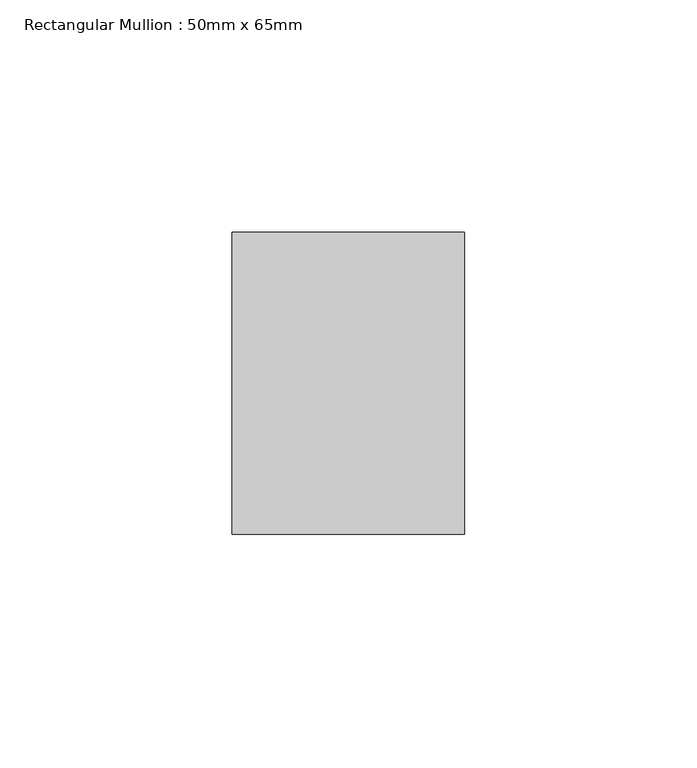
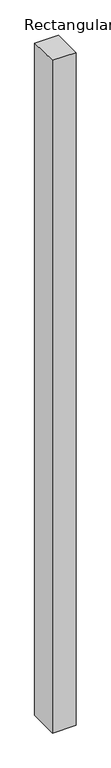
"""IFC4 building model written with IfcOpenShell, lengths in millimetres: member geometry, Rectangular Mullion : 50mm x 65mm."""

import ifcopenshell
import ifcopenshell.guid

model = None  # the IFC model being written
_history = None  # IfcOwnerHistory: only IFC2X3 demands one
_inside = {}  # id of a spatial element -> (the spatial element, [elements in it])
_under = {}  # id of a project, library or spatial element -> (it, [spatial elements below it])
_declared = {}  # id of a project -> (the project, [libraries it declares])
_typed = {}  # id of a type object -> (the type object, [elements of that type])
_made_of = {}  # id of a material, layer set ... -> (it, [elements and type objects made of it])


def new_model(schema):
    """Start an empty IFC model of exactly this schema.

    Asked for "IFC4X3", IfcOpenShell would pick the latest addendum, in which some entities
    have other attributes; the version numbers below select the first issue.
    IFC2X3 requires an IfcOwnerHistory on every rooted entity: one is made here for all.
    """
    global model, _history
    if schema == "IFC4X3":
        model = ifcopenshell.file(schema_version=(4, 3, 0, 0))
    else:
        model = ifcopenshell.file(schema=schema)
    _inside.clear()
    _under.clear()
    _declared.clear()
    _typed.clear()
    _made_of.clear()
    _history = None
    if model.schema == "IFC2X3":
        org = make("IfcOrganization", Name="unknown")
        user = make(
            "IfcPersonAndOrganization",
            ThePerson=make("IfcPerson", FamilyName="unknown"),
            TheOrganization=org,
        )
        app = make(
            "IfcApplication",
            ApplicationDeveloper=org,
            Version="unknown",
            ApplicationFullName="unknown",
            ApplicationIdentifier="unknown",
        )
        _history = make(
            "IfcOwnerHistory",
            OwningUser=user,
            OwningApplication=app,
            ChangeAction="ADDED",
            CreationDate=0,
        )
    return model


def make(cls, **values):
    """One entity of the class cls with the attributes given. An attribute that is None is left unset."""
    return model.create_entity(
        cls, **{name: value for name, value in values.items() if value is not None}
    )


def rooted(cls, **values):
    """An entity with a GlobalId (a new one), such as an element, a storey or a relation."""
    return make(cls, GlobalId=ifcopenshell.guid.new(), OwnerHistory=_history, **values)


def si_unit(unit_type, name, prefix=None):
    """IfcSIUnit, for example si_unit("LENGTHUNIT", "METRE", prefix="MILLI")."""
    return make("IfcSIUnit", UnitType=unit_type, Prefix=prefix, Name=name)


def assignment(units):
    """IfcUnitAssignment: the units of a project."""
    return None if units is None else make("IfcUnitAssignment", Units=units)


def point(xyz):
    """IfcCartesianPoint."""
    return None if xyz is None else make("IfcCartesianPoint", Coordinates=xyz)


def direction(xyz):
    """IfcDirection."""
    return None if xyz is None else make("IfcDirection", DirectionRatios=xyz)


def frame(location, z_axis=None, x_axis=None):
    """IfcAxis2Placement3D, a coordinate frame: its origin and axes. An axis left out is left unset."""
    return make(
        "IfcAxis2Placement3D",
        Location=point(location),
        Axis=direction(z_axis),
        RefDirection=direction(x_axis),
    )


def origin():
    """The frame at (0, 0, 0) with its axes left unset."""
    return frame((0.0, 0.0, 0.0))


def place(relative_to, where):
    """IfcLocalPlacement: puts the frame where relative to a parent placement (None: the world)."""
    return make(
        "IfcLocalPlacement", PlacementRelTo=relative_to, RelativePlacement=where
    )


def context(
    kind, dimensions, precision=None, world=None, true_north=None, identifier=None
):
    """IfcGeometricRepresentationContext, for example the 3D "Model" context."""
    return make(
        "IfcGeometricRepresentationContext",
        ContextIdentifier=identifier,
        ContextType=kind,
        CoordinateSpaceDimension=dimensions,
        Precision=precision,
        WorldCoordinateSystem=world,
        TrueNorth=true_north,
    )


def project(units=None, contexts=None):
    """IfcProject with its units and contexts."""
    return rooted(
        "IfcProject",
        Name="project",
        RepresentationContexts=contexts,
        UnitsInContext=assignment(units),
    )


def spatial(cls, under=None, at=None, **own):
    """A site, building, storey or space (cls), placed at a placement, below another one or the project."""
    s = rooted(cls, ObjectPlacement=at, **own)
    if under is not None:
        _under.setdefault(under.id(), (under, []))[1].append(s)
    return s


def faces_of(points, faces, orient=None, outer=None):
    """IfcFace entities. A face is a list of loops; a loop is a list of indices into points, from 0.

    orient and outer hold one flag for each loop. By default every Orientation is true, the
    first loop of a face is its IfcFaceOuterBound and the others are IfcFaceBound.
    """
    made = []
    for i, loops in enumerate(faces):
        bounds = []
        for j, loop in enumerate(loops):
            is_outer = j == 0 if outer is None else outer[i][j]
            bounds.append(
                make(
                    "IfcFaceOuterBound" if is_outer else "IfcFaceBound",
                    Bound=make("IfcPolyLoop", Polygon=[points[k] for k in loop]),
                    Orientation=True if orient is None else orient[i][j],
                )
            )
        made.append(make("IfcFace", Bounds=bounds))
    return made


def faceted_brep(points, faces, orient=None, outer=None, voids=None):
    """IfcFacetedBrep: a solid bounded by flat faces; with voids (closed shells), ...WithVoids."""
    shared = [point(p) for p in points]
    hull = make("IfcClosedShell", CfsFaces=faces_of(shared, faces, orient, outer))
    if voids is None:
        return make("IfcFacetedBrep", Outer=hull)
    return make(
        "IfcFacetedBrepWithVoids",
        Outer=hull,
        Voids=[
            make(cls, CfsFaces=faces_of(shared, fs, o, b)) for cls, fs, o, b in voids
        ],
    )


def shape(context_of_items, identifier, shape_type, items):
    """IfcShapeRepresentation: the items that make up one representation, for example the "Body"."""
    return make(
        "IfcShapeRepresentation",
        ContextOfItems=context_of_items,
        RepresentationIdentifier=identifier,
        RepresentationType=shape_type,
        Items=items,
    )


def source(mapping_origin, context_of_items, identifier, shape_type, items):
    """IfcRepresentationMap: a shape defined once, which mapped items show again and again."""
    return make(
        "IfcRepresentationMap",
        MappingOrigin=mapping_origin,
        MappedRepresentation=shape(context_of_items, identifier, shape_type, items),
    )


def transform(
    local_origin,
    x_axis=None,
    y_axis=None,
    z_axis=None,
    scale=None,
    scale2=None,
    scale3=None,
    uniform=True,
):
    """IfcCartesianTransformationOperator3D, or its non-uniform kind. x_axis, y_axis, z_axis: its Axis1, 2, 3."""
    if uniform:
        return make(
            "IfcCartesianTransformationOperator3D",
            Axis1=direction(x_axis),
            Axis2=direction(y_axis),
            LocalOrigin=point(local_origin),
            Scale=scale,
            Axis3=direction(z_axis),
        )
    return make(
        "IfcCartesianTransformationOperator3DnonUniform",
        Axis1=direction(x_axis),
        Axis2=direction(y_axis),
        LocalOrigin=point(local_origin),
        Scale=scale,
        Axis3=direction(z_axis),
        Scale2=scale2,
        Scale3=scale3,
    )


def mapped(mapping_source, mapping_target):
    """IfcMappedItem: shows the shape of a source again, moved by a transform."""
    return make(
        "IfcMappedItem", MappingSource=mapping_source, MappingTarget=mapping_target
    )


def made_of(thing, what):
    """Note that an element or type object is made of a material, layer set ...; save() writes the relation."""
    if what is not None:
        _made_of.setdefault(what.id(), (what, []))[1].append(thing)
    return thing


def element(
    cls,
    number,
    at=None,
    inside=None,
    cuts=None,
    type_object=None,
    material=None,
    context=None,
    identifier="Body",
    shape_type=None,
    held_by="IfcProductDefinitionShape",
    body=None,
    shapes=None,
    **own,
):
    """One element of the class cls, such as IfcWall. Its Tag is "e" and its number.

    at: its placement. inside: the storey or other place that contains it. cuts: it is an
    opening in that element (IfcRelVoidsElement). A single representation is given by context,
    identifier, shape_type and body (its items); several are given by shapes. held_by: the class
    of the entity that holds the representations. save() writes the other relations.
    """
    e = rooted(cls, Tag="e%d" % number, ObjectPlacement=at, **own)
    if body is not None:
        shapes = [shape(context, identifier, shape_type, body)]
    if shapes is not None:
        e.Representation = make(held_by, Representations=shapes)
    if inside is not None:
        _inside.setdefault(inside.id(), (inside, []))[1].append(e)
    if cuts is not None:
        rooted(
            "IfcRelVoidsElement", RelatingBuildingElement=cuts, RelatedOpeningElement=e
        )
    if type_object is not None:
        _typed.setdefault(type_object.id(), (type_object, []))[1].append(e)
    return made_of(e, material)


def aggregate(whole, parts):
    """IfcRelAggregates: a whole, such as a stair, and the parts it consists of."""
    return rooted("IfcRelAggregates", RelatingObject=whole, RelatedObjects=parts)


def save(model, path):
    """Write the relations noted so far, then the file.

    IfcRelAggregates (storeys below a building ...), IfcRelContainedInSpatialStructure (elements
    in a storey), IfcRelDefinesByType, IfcRelAssociatesMaterial and IfcRelDeclares: one each for
    every whole, place, type object, material and project.
    """
    for whole, parts in _under.values():
        aggregate(whole, parts)
    for where, things in _inside.values():
        rooted(
            "IfcRelContainedInSpatialStructure",
            RelatedElements=things,
            RelatingStructure=where,
        )
    for kind, things in _typed.values():
        rooted("IfcRelDefinesByType", RelatedObjects=things, RelatingType=kind)
    for what, things in _made_of.values():
        rooted("IfcRelAssociatesMaterial", RelatedObjects=things, RelatingMaterial=what)
    for by, libraries in _declared.values():
        rooted("IfcRelDeclares", RelatingContext=by, RelatedDefinitions=libraries)
    model.write(path)


def rectangular_mullion_50mm_x_65mm_f217ea57(model_context):
    return source(origin(), model_context, "Body", "Brep", [
        faceted_brep([(-25.0, 32.5, -0.3536693), (25.0, 32.5, -0.3536721), (25.0, 32.5, -1499.5479538), (-25.0, 32.5, -1499.5479575), (-25.0, -32.5, 0.3536721), (-25.0, -32.5, -1500.4515876), (25.0, -32.5, 0.3536693), (25.0, -32.5, -1500.4515839)], [[[0, 1, 2, 3]], [[4, 0, 3, 5]], [[6, 4, 5, 7]], [[1, 6, 7, 2]], [[1, 0, 4, 6]], [[2, 7, 5, 3]]]),
    ])


if __name__ == "__main__":
    model = new_model("IFC4")
    model_context = context("Model", 3, world=origin())
    ifc_project = project(units=[si_unit("LENGTHUNIT", "METRE", prefix="MILLI")], contexts=[model_context])
    site = spatial("IfcSite", under=ifc_project)
    building = spatial("IfcBuilding", under=site)
    placement = place(None, origin())
    rectangular_mullion_50mm_x_65mm_shape = rectangular_mullion_50mm_x_65mm_f217ea57(model_context)
    element("IfcMember", 1, ObjectType="Rectangular Mullion : 50mm x 65mm", at=placement, inside=building, context=model_context, shape_type="MappedRepresentation", body=[
        mapped(rectangular_mullion_50mm_x_65mm_shape, transform((0.0, 0.0, 0.0), x_axis=(1.0, 0.0, 0.0), y_axis=(0.0, 1.0, 0.0), z_axis=(0.0, 0.0, 1.0))),
    ])
    save(model, "model.ifc")
